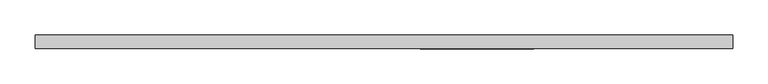
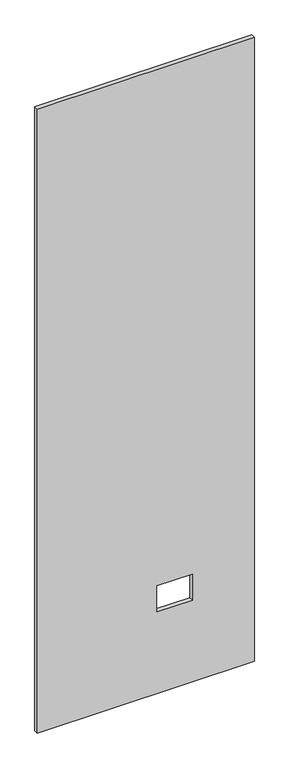
"""IFC4 building model written with IfcOpenShell, lengths in millimetres: proxy geometry."""

from ifc_helpers import new_model, si_unit, frame, origin, place, context, project, spatial, polyline, outline, extrude, source, transform, mapped, element, save


def specialty_equipment_58292679(model_context):
    return source(origin(), model_context, "Body", "SweptSolid", [
        extrude(outline(polyline([(2999.5368001, 493.4204), (2999.5368001, -493.4204), (3.175, -493.4204), (3.175, 493.4204), (2999.5368001, 493.4204)]), holes=[polyline([(518.9474, 211.8868), (395.4526, 211.8868), (395.4526, 51.3588), (518.9474, 51.3588), (518.9474, 211.8868)])]), frame((0.0, -9.525, 0.0), z_axis=(0.0, 1.0, 0.0), x_axis=(0.0, 0.0, 1.0)), (0.0, 0.0, 1.0), 19.05),
    ])


if __name__ == "__main__":
    model = new_model("IFC4")
    model_context = context("Model", 3, world=origin())
    ifc_project = project(units=[si_unit("LENGTHUNIT", "METRE", prefix="MILLI")], contexts=[model_context])
    site = spatial("IfcSite", under=ifc_project)
    building = spatial("IfcBuilding", under=site)
    placement = place(None, origin())
    specialty_equipment_shape = specialty_equipment_58292679(model_context)
    element("IfcBuildingElementProxy", 1, Name="Specialty Equipment", at=placement, inside=building, context=model_context, shape_type="MappedRepresentation", body=[
        mapped(specialty_equipment_shape, transform((0.0, 0.0, 0.0), x_axis=(1.0, 0.0, 0.0), y_axis=(0.0, 1.0, 0.0), z_axis=(0.0, 0.0, 1.0))),
    ])
    save(model, "model.ifc")
